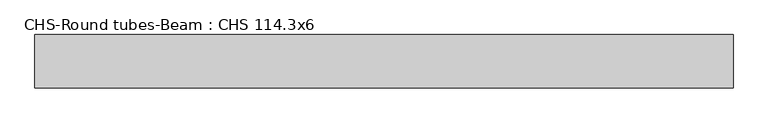
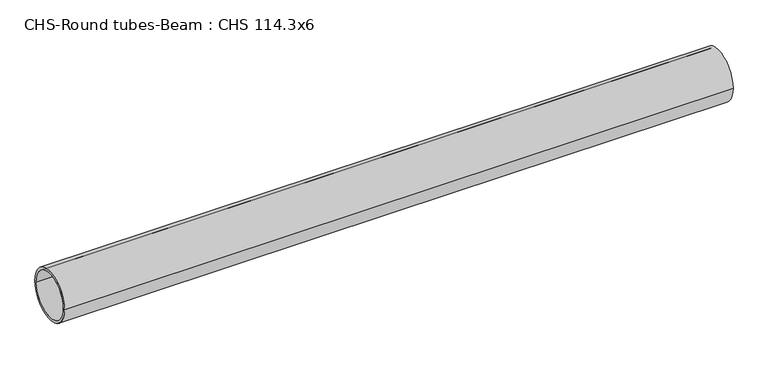
"""IFC4 building model written with IfcOpenShell, lengths in millimetres: beam geometry, CHS-Round tubes-Beam : CHS 114.3x6."""

from ifc_helpers import new_model, si_unit, point, frame, origin, origin_2d, place, context, project, spatial, circle_curve, trimmed, segment, composite_curve, outline, extrude, source, transform, mapped, element, save


def chs_round_tubes_beam_chs_114_3x6_74ebbf16(model_context):
    return source(origin(), model_context, "Body", "SweptSolid", [
        extrude(outline(composite_curve([segment(trimmed(circle_curve(origin_2d(), 57.15), [point((57.15, 0.0))], [point((-57.15, 0.0))], False, "CARTESIAN"), True, "CONTINUOUS"), segment(trimmed(circle_curve(origin_2d(), 57.15), [point((-57.15, 0.0))], [point((57.15, 0.0))], False, "CARTESIAN"), True, "CONTINUOUS")], self_intersect=False), holes=[composite_curve([segment(trimmed(circle_curve(origin_2d(), 51.15), [point((51.15, 0.0))], [point((-51.15, 0.0))], True, "CARTESIAN"), True, "CONTINUOUS"), segment(trimmed(circle_curve(origin_2d(), 51.15), [point((-51.15, 0.0))], [point((51.15, 0.0))], True, "CARTESIAN"), True, "CONTINUOUS")], self_intersect=False)]), frame((-736.385149, 0.0, 0.0), z_axis=(1.0, 0.0, 0.0), x_axis=(0.0, 1.0, 0.0)), (0.0, 0.0, 1.0), 1493.585269),
    ])


if __name__ == "__main__":
    model = new_model("IFC4")
    model_context = context("Model", 3, world=origin())
    ifc_project = project(units=[si_unit("LENGTHUNIT", "METRE", prefix="MILLI")], contexts=[model_context])
    site = spatial("IfcSite", under=ifc_project)
    building = spatial("IfcBuilding", under=site)
    placement = place(None, origin())
    chs_round_tubes_beam_chs_114_3x6_shape = chs_round_tubes_beam_chs_114_3x6_74ebbf16(model_context)
    element("IfcBeam", 1, ObjectType="CHS-Round tubes-Beam : CHS 114.3x6", at=placement, inside=building, context=model_context, shape_type="MappedRepresentation", body=[
        mapped(chs_round_tubes_beam_chs_114_3x6_shape, transform((0.0, 0.0, 0.0), x_axis=(1.0, 0.0, 0.0), y_axis=(0.0, 1.0, 0.0), z_axis=(0.0, 0.0, 1.0))),
    ])
    save(model, "model.ifc")
